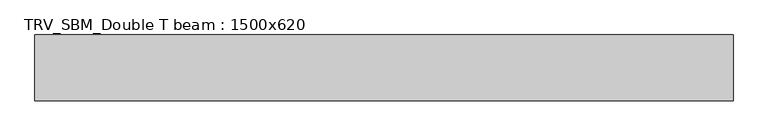
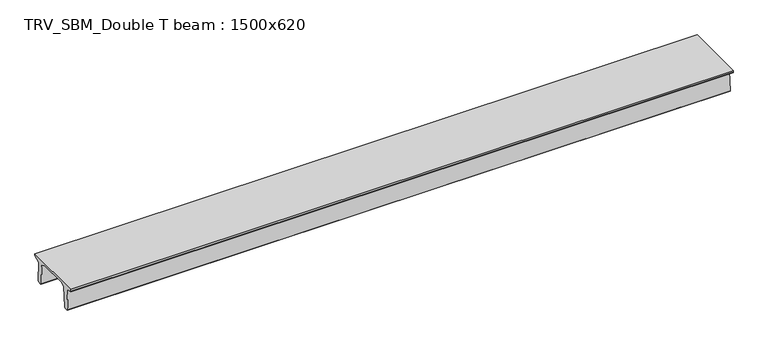
"""IFC4 building model written with IfcOpenShell, lengths in millimetres: beam geometry, TRV_SBM_Double T beam : 1500x620."""

from ifc_helpers import new_model, si_unit, frame, origin, place, context, project, spatial, polyline, outline, extrude, source, transform, mapped, element, save


def trv_sbm_double_t_beam_1500x620_c3bf8f5c(model_context):
    return source(origin(), model_context, "Body", "SweptSolid", [
        extrude(outline(polyline([(-765.0, 215.0), (-765.0, 260.0), (735.0, 260.0), (735.0, 215.0), (728.2094488, 201.315559), (578.0626443, 140.6523122), (594.8277662, -339.4379646), (574.2657308, -360.0), (484.2657308, -360.0), (464.786332, -340.5206011), (447.8600761, 144.18395), (338.3237744, 210.0), (-367.4555014, 210.0), (-476.5389732, 151.9992892), (-507.0080378, -339.3850967), (-527.622941, -360.0), (-615.122941, -360.0), (-637.1143055, -338.0086356), (-606.1572167, 162.687806), (-761.3068466, 204.260024), (-765.0, 215.0)])), frame((-7968.5, 0.0, 0.0), z_axis=(1.0, 0.0, 0.0), x_axis=(0.0, 1.0, 0.0)), (0.0, 0.0, 1.0), 15937.0),
    ])


if __name__ == "__main__":
    model = new_model("IFC4")
    model_context = context("Model", 3, world=origin())
    ifc_project = project(units=[si_unit("LENGTHUNIT", "METRE", prefix="MILLI")], contexts=[model_context])
    site = spatial("IfcSite", under=ifc_project)
    building = spatial("IfcBuilding", under=site)
    placement = place(None, origin())
    trv_sbm_double_t_beam_1500x620_shape = trv_sbm_double_t_beam_1500x620_c3bf8f5c(model_context)
    element("IfcBeam", 1, ObjectType="TRV_SBM_Double T beam : 1500x620", at=placement, inside=building, context=model_context, shape_type="MappedRepresentation", body=[
        mapped(trv_sbm_double_t_beam_1500x620_shape, transform((0.0, 0.0, 0.0), x_axis=(1.0, 0.0, 0.0), y_axis=(0.0, 1.0, 0.0), z_axis=(0.0, 0.0, 1.0))),
    ])
    save(model, "model.ifc")
